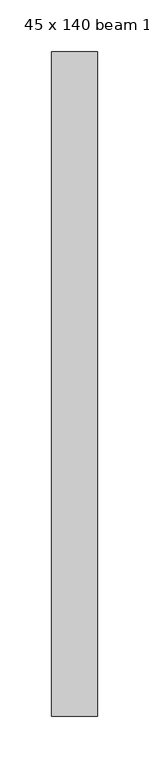
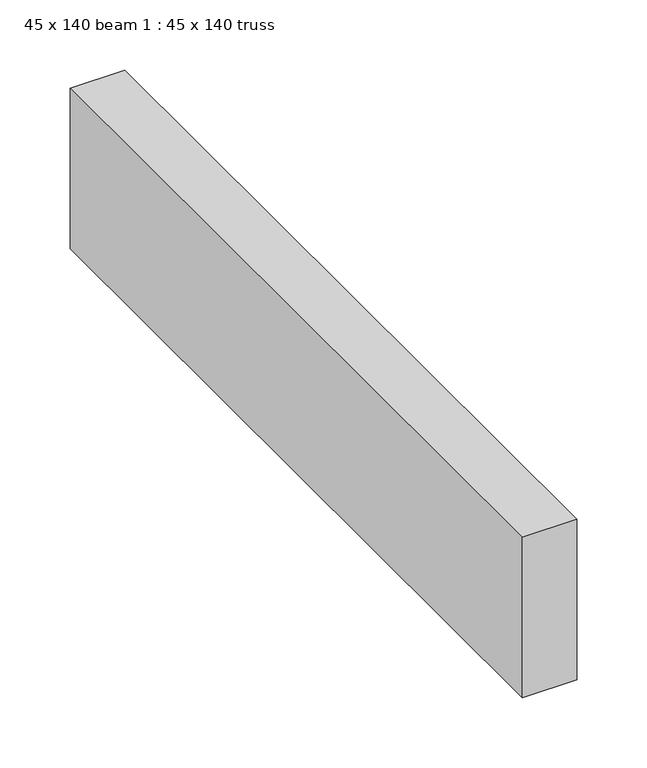
"""IFC4 building model written with IfcOpenShell, lengths in millimetres: proxy geometry, 45 x 140 beam 1 : 45 x 140 truss."""

from ifc_helpers import new_model, si_unit, frame, origin, place, context, project, spatial, polyline, outline, extrude, source, transform, mapped, element, save


def proxy_45_x_140_beam_1_45_x_140_truss_516bf114(model_context):
    return source(origin(), model_context, "Body", "SweptSolid", [
        extrude(outline(polyline([(-11590.4039486, -1334.6714866), (-11635.4039486, -1334.6714866), (-11635.4039486, -689.6714866), (-11590.4039486, -689.6714866), (-11590.4039486, -1334.6714866)])), frame((0.0, 0.0, 3644.2452806), z_axis=(0.0, 0.0, 1.0), x_axis=(1.0, 0.0, 0.0)), (0.0, 0.0, 1.0), 140.0),
    ])


if __name__ == "__main__":
    model = new_model("IFC4")
    model_context = context("Model", 3, world=origin())
    ifc_project = project(units=[si_unit("LENGTHUNIT", "METRE", prefix="MILLI")], contexts=[model_context])
    site = spatial("IfcSite", under=ifc_project)
    building = spatial("IfcBuilding", under=site)
    placement = place(None, origin())
    proxy_45_x_140_beam_1_45_x_140_truss_shape = proxy_45_x_140_beam_1_45_x_140_truss_516bf114(model_context)
    element("IfcBuildingElementProxy", 1, Name="45 x 140 beam 1 : 45 x 140 truss", ObjectType="45 x 140 beam 1 : 45 x 140 truss", at=placement, inside=building, context=model_context, shape_type="MappedRepresentation", body=[
        mapped(proxy_45_x_140_beam_1_45_x_140_truss_shape, transform((0.0, 0.0, 0.0), x_axis=(1.0, 0.0, 0.0), y_axis=(0.0, 1.0, 0.0), z_axis=(0.0, 0.0, 1.0))),
    ])
    save(model, "model.ifc")
